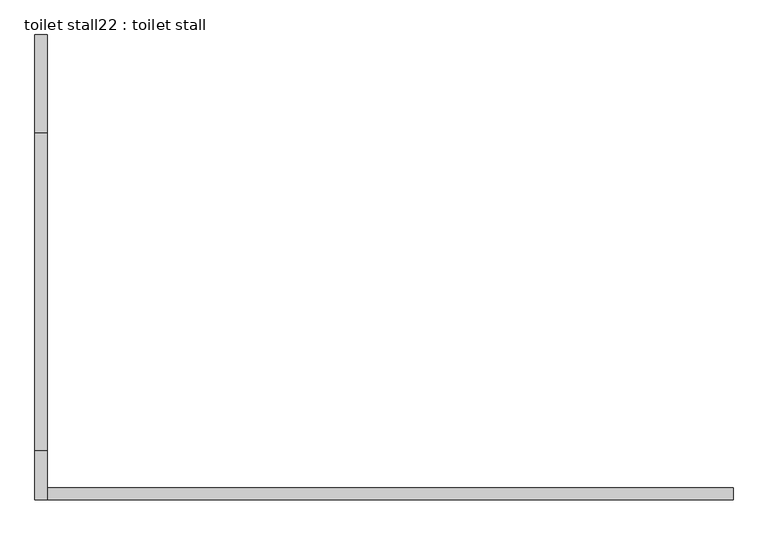
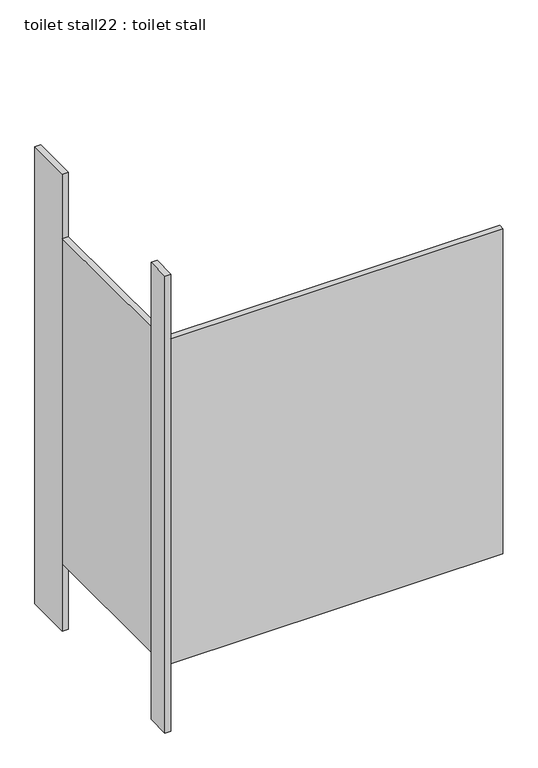
"""IFC4 building model written with IfcOpenShell, lengths in millimetres: proxy geometry, toilet stall22 : toilet stall."""

import ifcopenshell
import ifcopenshell.guid

model = None  # the IFC model being written
_history = None  # IfcOwnerHistory: only IFC2X3 demands one
_inside = {}  # id of a spatial element -> (the spatial element, [elements in it])
_under = {}  # id of a project, library or spatial element -> (it, [spatial elements below it])
_declared = {}  # id of a project -> (the project, [libraries it declares])
_typed = {}  # id of a type object -> (the type object, [elements of that type])
_made_of = {}  # id of a material, layer set ... -> (it, [elements and type objects made of it])


def new_model(schema):
    """Start an empty IFC model of exactly this schema.

    Asked for "IFC4X3", IfcOpenShell would pick the latest addendum, in which some entities
    have other attributes; the version numbers below select the first issue.
    IFC2X3 requires an IfcOwnerHistory on every rooted entity: one is made here for all.
    """
    global model, _history
    if schema == "IFC4X3":
        model = ifcopenshell.file(schema_version=(4, 3, 0, 0))
    else:
        model = ifcopenshell.file(schema=schema)
    _inside.clear()
    _under.clear()
    _declared.clear()
    _typed.clear()
    _made_of.clear()
    _history = None
    if model.schema == "IFC2X3":
        org = make("IfcOrganization", Name="unknown")
        user = make(
            "IfcPersonAndOrganization",
            ThePerson=make("IfcPerson", FamilyName="unknown"),
            TheOrganization=org,
        )
        app = make(
            "IfcApplication",
            ApplicationDeveloper=org,
            Version="unknown",
            ApplicationFullName="unknown",
            ApplicationIdentifier="unknown",
        )
        _history = make(
            "IfcOwnerHistory",
            OwningUser=user,
            OwningApplication=app,
            ChangeAction="ADDED",
            CreationDate=0,
        )
    return model


def make(cls, **values):
    """One entity of the class cls with the attributes given. An attribute that is None is left unset."""
    return model.create_entity(
        cls, **{name: value for name, value in values.items() if value is not None}
    )


def rooted(cls, **values):
    """An entity with a GlobalId (a new one), such as an element, a storey or a relation."""
    return make(cls, GlobalId=ifcopenshell.guid.new(), OwnerHistory=_history, **values)


def si_unit(unit_type, name, prefix=None):
    """IfcSIUnit, for example si_unit("LENGTHUNIT", "METRE", prefix="MILLI")."""
    return make("IfcSIUnit", UnitType=unit_type, Prefix=prefix, Name=name)


def assignment(units):
    """IfcUnitAssignment: the units of a project."""
    return None if units is None else make("IfcUnitAssignment", Units=units)


def point(xyz):
    """IfcCartesianPoint."""
    return None if xyz is None else make("IfcCartesianPoint", Coordinates=xyz)


def direction(xyz):
    """IfcDirection."""
    return None if xyz is None else make("IfcDirection", DirectionRatios=xyz)


def frame(location, z_axis=None, x_axis=None):
    """IfcAxis2Placement3D, a coordinate frame: its origin and axes. An axis left out is left unset."""
    return make(
        "IfcAxis2Placement3D",
        Location=point(location),
        Axis=direction(z_axis),
        RefDirection=direction(x_axis),
    )


def origin():
    """The frame at (0, 0, 0) with its axes left unset."""
    return frame((0.0, 0.0, 0.0))


def origin_with_axes():
    """The frame at (0, 0, 0) with the z axis (0, 0, 1) and the x axis (1, 0, 0) written out."""
    return frame((0.0, 0.0, 0.0), z_axis=(0.0, 0.0, 1.0), x_axis=(1.0, 0.0, 0.0))


def place(relative_to, where):
    """IfcLocalPlacement: puts the frame where relative to a parent placement (None: the world)."""
    return make(
        "IfcLocalPlacement", PlacementRelTo=relative_to, RelativePlacement=where
    )


def context(
    kind, dimensions, precision=None, world=None, true_north=None, identifier=None
):
    """IfcGeometricRepresentationContext, for example the 3D "Model" context."""
    return make(
        "IfcGeometricRepresentationContext",
        ContextIdentifier=identifier,
        ContextType=kind,
        CoordinateSpaceDimension=dimensions,
        Precision=precision,
        WorldCoordinateSystem=world,
        TrueNorth=true_north,
    )


def project(units=None, contexts=None):
    """IfcProject with its units and contexts."""
    return rooted(
        "IfcProject",
        Name="project",
        RepresentationContexts=contexts,
        UnitsInContext=assignment(units),
    )


def spatial(cls, under=None, at=None, **own):
    """A site, building, storey or space (cls), placed at a placement, below another one or the project."""
    s = rooted(cls, ObjectPlacement=at, **own)
    if under is not None:
        _under.setdefault(under.id(), (under, []))[1].append(s)
    return s


def polyline(points):
    """IfcPolyline through the points."""
    return make("IfcPolyline", Points=[point(p) for p in points])


def outline(outer, holes=None, kind="AREA"):
    """IfcArbitraryClosedProfileDef: a profile drawn as a closed curve; with holes, ...WithVoids."""
    if holes is None:
        return make("IfcArbitraryClosedProfileDef", ProfileType=kind, OuterCurve=outer)
    return make(
        "IfcArbitraryProfileDefWithVoids",
        ProfileType=kind,
        OuterCurve=outer,
        InnerCurves=holes,
    )


def extrude(swept, where, along, depth):
    """IfcExtrudedAreaSolid: the profile swept, set in the frame where, extruded along a direction by depth."""
    return make(
        "IfcExtrudedAreaSolid",
        SweptArea=swept,
        Position=where,
        ExtrudedDirection=direction(along),
        Depth=depth,
    )


def shape(context_of_items, identifier, shape_type, items):
    """IfcShapeRepresentation: the items that make up one representation, for example the "Body"."""
    return make(
        "IfcShapeRepresentation",
        ContextOfItems=context_of_items,
        RepresentationIdentifier=identifier,
        RepresentationType=shape_type,
        Items=items,
    )


def source(mapping_origin, context_of_items, identifier, shape_type, items):
    """IfcRepresentationMap: a shape defined once, which mapped items show again and again."""
    return make(
        "IfcRepresentationMap",
        MappingOrigin=mapping_origin,
        MappedRepresentation=shape(context_of_items, identifier, shape_type, items),
    )


def transform(
    local_origin,
    x_axis=None,
    y_axis=None,
    z_axis=None,
    scale=None,
    scale2=None,
    scale3=None,
    uniform=True,
):
    """IfcCartesianTransformationOperator3D, or its non-uniform kind. x_axis, y_axis, z_axis: its Axis1, 2, 3."""
    if uniform:
        return make(
            "IfcCartesianTransformationOperator3D",
            Axis1=direction(x_axis),
            Axis2=direction(y_axis),
            LocalOrigin=point(local_origin),
            Scale=scale,
            Axis3=direction(z_axis),
        )
    return make(
        "IfcCartesianTransformationOperator3DnonUniform",
        Axis1=direction(x_axis),
        Axis2=direction(y_axis),
        LocalOrigin=point(local_origin),
        Scale=scale,
        Axis3=direction(z_axis),
        Scale2=scale2,
        Scale3=scale3,
    )


def mapped(mapping_source, mapping_target):
    """IfcMappedItem: shows the shape of a source again, moved by a transform."""
    return make(
        "IfcMappedItem", MappingSource=mapping_source, MappingTarget=mapping_target
    )


def made_of(thing, what):
    """Note that an element or type object is made of a material, layer set ...; save() writes the relation."""
    if what is not None:
        _made_of.setdefault(what.id(), (what, []))[1].append(thing)
    return thing


def element(
    cls,
    number,
    at=None,
    inside=None,
    cuts=None,
    type_object=None,
    material=None,
    context=None,
    identifier="Body",
    shape_type=None,
    held_by="IfcProductDefinitionShape",
    body=None,
    shapes=None,
    **own,
):
    """One element of the class cls, such as IfcWall. Its Tag is "e" and its number.

    at: its placement. inside: the storey or other place that contains it. cuts: it is an
    opening in that element (IfcRelVoidsElement). A single representation is given by context,
    identifier, shape_type and body (its items); several are given by shapes. held_by: the class
    of the entity that holds the representations. save() writes the other relations.
    """
    e = rooted(cls, Tag="e%d" % number, ObjectPlacement=at, **own)
    if body is not None:
        shapes = [shape(context, identifier, shape_type, body)]
    if shapes is not None:
        e.Representation = make(held_by, Representations=shapes)
    if inside is not None:
        _inside.setdefault(inside.id(), (inside, []))[1].append(e)
    if cuts is not None:
        rooted(
            "IfcRelVoidsElement", RelatingBuildingElement=cuts, RelatedOpeningElement=e
        )
    if type_object is not None:
        _typed.setdefault(type_object.id(), (type_object, []))[1].append(e)
    return made_of(e, material)


def aggregate(whole, parts):
    """IfcRelAggregates: a whole, such as a stair, and the parts it consists of."""
    return rooted("IfcRelAggregates", RelatingObject=whole, RelatedObjects=parts)


def save(model, path):
    """Write the relations noted so far, then the file.

    IfcRelAggregates (storeys below a building ...), IfcRelContainedInSpatialStructure (elements
    in a storey), IfcRelDefinesByType, IfcRelAssociatesMaterial and IfcRelDeclares: one each for
    every whole, place, type object, material and project.
    """
    for whole, parts in _under.values():
        aggregate(whole, parts)
    for where, things in _inside.values():
        rooted(
            "IfcRelContainedInSpatialStructure",
            RelatedElements=things,
            RelatingStructure=where,
        )
    for kind, things in _typed.values():
        rooted("IfcRelDefinesByType", RelatedObjects=things, RelatingType=kind)
    for what, things in _made_of.values():
        rooted("IfcRelAssociatesMaterial", RelatedObjects=things, RelatingMaterial=what)
    for by, libraries in _declared.values():
        rooted("IfcRelDeclares", RelatingContext=by, RelatedDefinitions=libraries)
    model.write(path)


def toilet_stall22_toilet_stall_28eca414(model_context):
    return source(origin(), model_context, "Body", "SweptSolid", [
        extrude(outline(polyline([(454658.2004676, -344734.3705223), (454632.8004676, -344734.3705223), (454632.8004676, -344531.1705223), (454658.2004676, -344531.1705223), (454658.2004676, -344734.3705223)])), origin_with_axes(), (0.0, 0.0, 1.0), 2070.1),
        extrude(outline(polyline([(454658.2004676, -345496.3705223), (454632.8004676, -345496.3705223), (454632.8004676, -345394.7705223), (454658.2004676, -345394.7705223), (454658.2004676, -345496.3705223)])), origin_with_axes(), (0.0, 0.0, 1.0), 2070.1),
        extrude(outline(polyline([(454658.2004676, -345496.3705223), (454658.2004676, -345470.9705223), (456080.6004676, -345470.9705223), (456080.6004676, -345496.3705223), (454658.2004676, -345496.3705223)])), frame((0.0, 0.0, 304.8), z_axis=(0.0, 0.0, 1.0), x_axis=(1.0, 0.0, 0.0)), (0.0, 0.0, 1.0), 1473.2),
        extrude(outline(polyline([(454658.2004676, -345394.7705223), (454632.8004676, -345394.7705223), (454632.8004676, -344734.3705223), (454658.2004676, -344734.3705223), (454658.2004676, -345394.7705223)])), frame((0.0, 0.0, 304.8), z_axis=(0.0, 0.0, 1.0), x_axis=(1.0, 0.0, 0.0)), (0.0, 0.0, 1.0), 1473.2),
    ])


if __name__ == "__main__":
    model = new_model("IFC4")
    model_context = context("Model", 3, world=origin())
    ifc_project = project(units=[si_unit("LENGTHUNIT", "METRE", prefix="MILLI")], contexts=[model_context])
    site = spatial("IfcSite", under=ifc_project)
    building = spatial("IfcBuilding", under=site)
    placement = place(None, origin())
    toilet_stall22_toilet_stall_shape = toilet_stall22_toilet_stall_28eca414(model_context)
    element("IfcBuildingElementProxy", 1, Name="toilet stall22 : toilet stall", ObjectType="toilet stall22 : toilet stall", at=placement, inside=building, context=model_context, shape_type="MappedRepresentation", body=[
        mapped(toilet_stall22_toilet_stall_shape, transform((0.0, 0.0, 0.0), x_axis=(1.0, 0.0, 0.0), y_axis=(0.0, 1.0, 0.0), z_axis=(0.0, 0.0, 1.0))),
    ])
    save(model, "model.ifc")
